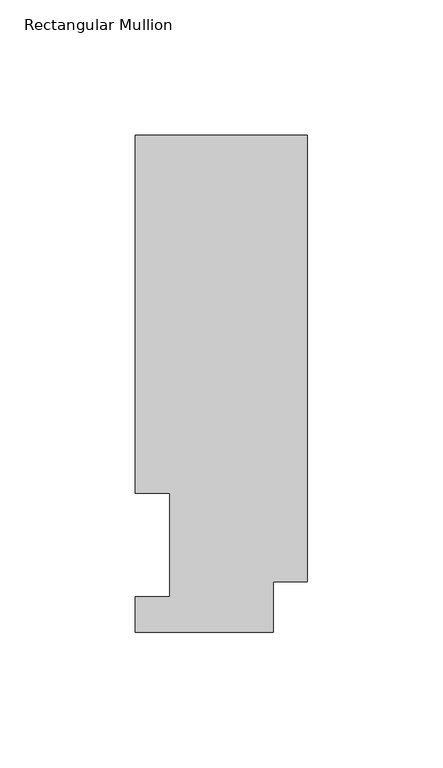
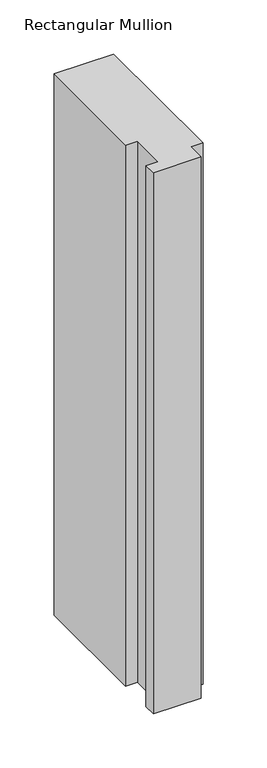
"""IFC4 building model written with IfcOpenShell, lengths in millimetres: member geometry, Rectangular Mullion."""

import ifcopenshell
import ifcopenshell.guid

model = None  # the IFC model being written
_history = None  # IfcOwnerHistory: only IFC2X3 demands one
_inside = {}  # id of a spatial element -> (the spatial element, [elements in it])
_under = {}  # id of a project, library or spatial element -> (it, [spatial elements below it])
_declared = {}  # id of a project -> (the project, [libraries it declares])
_typed = {}  # id of a type object -> (the type object, [elements of that type])
_made_of = {}  # id of a material, layer set ... -> (it, [elements and type objects made of it])


def new_model(schema):
    """Start an empty IFC model of exactly this schema.

    Asked for "IFC4X3", IfcOpenShell would pick the latest addendum, in which some entities
    have other attributes; the version numbers below select the first issue.
    IFC2X3 requires an IfcOwnerHistory on every rooted entity: one is made here for all.
    """
    global model, _history
    if schema == "IFC4X3":
        model = ifcopenshell.file(schema_version=(4, 3, 0, 0))
    else:
        model = ifcopenshell.file(schema=schema)
    _inside.clear()
    _under.clear()
    _declared.clear()
    _typed.clear()
    _made_of.clear()
    _history = None
    if model.schema == "IFC2X3":
        org = make("IfcOrganization", Name="unknown")
        user = make(
            "IfcPersonAndOrganization",
            ThePerson=make("IfcPerson", FamilyName="unknown"),
            TheOrganization=org,
        )
        app = make(
            "IfcApplication",
            ApplicationDeveloper=org,
            Version="unknown",
            ApplicationFullName="unknown",
            ApplicationIdentifier="unknown",
        )
        _history = make(
            "IfcOwnerHistory",
            OwningUser=user,
            OwningApplication=app,
            ChangeAction="ADDED",
            CreationDate=0,
        )
    return model


def make(cls, **values):
    """One entity of the class cls with the attributes given. An attribute that is None is left unset."""
    return model.create_entity(
        cls, **{name: value for name, value in values.items() if value is not None}
    )


def rooted(cls, **values):
    """An entity with a GlobalId (a new one), such as an element, a storey or a relation."""
    return make(cls, GlobalId=ifcopenshell.guid.new(), OwnerHistory=_history, **values)


def si_unit(unit_type, name, prefix=None):
    """IfcSIUnit, for example si_unit("LENGTHUNIT", "METRE", prefix="MILLI")."""
    return make("IfcSIUnit", UnitType=unit_type, Prefix=prefix, Name=name)


def assignment(units):
    """IfcUnitAssignment: the units of a project."""
    return None if units is None else make("IfcUnitAssignment", Units=units)


def point(xyz):
    """IfcCartesianPoint."""
    return None if xyz is None else make("IfcCartesianPoint", Coordinates=xyz)


def direction(xyz):
    """IfcDirection."""
    return None if xyz is None else make("IfcDirection", DirectionRatios=xyz)


def frame(location, z_axis=None, x_axis=None):
    """IfcAxis2Placement3D, a coordinate frame: its origin and axes. An axis left out is left unset."""
    return make(
        "IfcAxis2Placement3D",
        Location=point(location),
        Axis=direction(z_axis),
        RefDirection=direction(x_axis),
    )


def origin():
    """The frame at (0, 0, 0) with its axes left unset."""
    return frame((0.0, 0.0, 0.0))


def place(relative_to, where):
    """IfcLocalPlacement: puts the frame where relative to a parent placement (None: the world)."""
    return make(
        "IfcLocalPlacement", PlacementRelTo=relative_to, RelativePlacement=where
    )


def context(
    kind, dimensions, precision=None, world=None, true_north=None, identifier=None
):
    """IfcGeometricRepresentationContext, for example the 3D "Model" context."""
    return make(
        "IfcGeometricRepresentationContext",
        ContextIdentifier=identifier,
        ContextType=kind,
        CoordinateSpaceDimension=dimensions,
        Precision=precision,
        WorldCoordinateSystem=world,
        TrueNorth=true_north,
    )


def project(units=None, contexts=None):
    """IfcProject with its units and contexts."""
    return rooted(
        "IfcProject",
        Name="project",
        RepresentationContexts=contexts,
        UnitsInContext=assignment(units),
    )


def spatial(cls, under=None, at=None, **own):
    """A site, building, storey or space (cls), placed at a placement, below another one or the project."""
    s = rooted(cls, ObjectPlacement=at, **own)
    if under is not None:
        _under.setdefault(under.id(), (under, []))[1].append(s)
    return s


def polyline(points):
    """IfcPolyline through the points."""
    return make("IfcPolyline", Points=[point(p) for p in points])


def outline(outer, holes=None, kind="AREA"):
    """IfcArbitraryClosedProfileDef: a profile drawn as a closed curve; with holes, ...WithVoids."""
    if holes is None:
        return make("IfcArbitraryClosedProfileDef", ProfileType=kind, OuterCurve=outer)
    return make(
        "IfcArbitraryProfileDefWithVoids",
        ProfileType=kind,
        OuterCurve=outer,
        InnerCurves=holes,
    )


def extrude(swept, where, along, depth):
    """IfcExtrudedAreaSolid: the profile swept, set in the frame where, extruded along a direction by depth."""
    return make(
        "IfcExtrudedAreaSolid",
        SweptArea=swept,
        Position=where,
        ExtrudedDirection=direction(along),
        Depth=depth,
    )


def shape(context_of_items, identifier, shape_type, items):
    """IfcShapeRepresentation: the items that make up one representation, for example the "Body"."""
    return make(
        "IfcShapeRepresentation",
        ContextOfItems=context_of_items,
        RepresentationIdentifier=identifier,
        RepresentationType=shape_type,
        Items=items,
    )


def source(mapping_origin, context_of_items, identifier, shape_type, items):
    """IfcRepresentationMap: a shape defined once, which mapped items show again and again."""
    return make(
        "IfcRepresentationMap",
        MappingOrigin=mapping_origin,
        MappedRepresentation=shape(context_of_items, identifier, shape_type, items),
    )


def transform(
    local_origin,
    x_axis=None,
    y_axis=None,
    z_axis=None,
    scale=None,
    scale2=None,
    scale3=None,
    uniform=True,
):
    """IfcCartesianTransformationOperator3D, or its non-uniform kind. x_axis, y_axis, z_axis: its Axis1, 2, 3."""
    if uniform:
        return make(
            "IfcCartesianTransformationOperator3D",
            Axis1=direction(x_axis),
            Axis2=direction(y_axis),
            LocalOrigin=point(local_origin),
            Scale=scale,
            Axis3=direction(z_axis),
        )
    return make(
        "IfcCartesianTransformationOperator3DnonUniform",
        Axis1=direction(x_axis),
        Axis2=direction(y_axis),
        LocalOrigin=point(local_origin),
        Scale=scale,
        Axis3=direction(z_axis),
        Scale2=scale2,
        Scale3=scale3,
    )


def mapped(mapping_source, mapping_target):
    """IfcMappedItem: shows the shape of a source again, moved by a transform."""
    return make(
        "IfcMappedItem", MappingSource=mapping_source, MappingTarget=mapping_target
    )


def made_of(thing, what):
    """Note that an element or type object is made of a material, layer set ...; save() writes the relation."""
    if what is not None:
        _made_of.setdefault(what.id(), (what, []))[1].append(thing)
    return thing


def element(
    cls,
    number,
    at=None,
    inside=None,
    cuts=None,
    type_object=None,
    material=None,
    context=None,
    identifier="Body",
    shape_type=None,
    held_by="IfcProductDefinitionShape",
    body=None,
    shapes=None,
    **own,
):
    """One element of the class cls, such as IfcWall. Its Tag is "e" and its number.

    at: its placement. inside: the storey or other place that contains it. cuts: it is an
    opening in that element (IfcRelVoidsElement). A single representation is given by context,
    identifier, shape_type and body (its items); several are given by shapes. held_by: the class
    of the entity that holds the representations. save() writes the other relations.
    """
    e = rooted(cls, Tag="e%d" % number, ObjectPlacement=at, **own)
    if body is not None:
        shapes = [shape(context, identifier, shape_type, body)]
    if shapes is not None:
        e.Representation = make(held_by, Representations=shapes)
    if inside is not None:
        _inside.setdefault(inside.id(), (inside, []))[1].append(e)
    if cuts is not None:
        rooted(
            "IfcRelVoidsElement", RelatingBuildingElement=cuts, RelatedOpeningElement=e
        )
    if type_object is not None:
        _typed.setdefault(type_object.id(), (type_object, []))[1].append(e)
    return made_of(e, material)


def aggregate(whole, parts):
    """IfcRelAggregates: a whole, such as a stair, and the parts it consists of."""
    return rooted("IfcRelAggregates", RelatingObject=whole, RelatedObjects=parts)


def save(model, path):
    """Write the relations noted so far, then the file.

    IfcRelAggregates (storeys below a building ...), IfcRelContainedInSpatialStructure (elements
    in a storey), IfcRelDefinesByType, IfcRelAssociatesMaterial and IfcRelDeclares: one each for
    every whole, place, type object, material and project.
    """
    for whole, parts in _under.values():
        aggregate(whole, parts)
    for where, things in _inside.values():
        rooted(
            "IfcRelContainedInSpatialStructure",
            RelatedElements=things,
            RelatingStructure=where,
        )
    for kind, things in _typed.values():
        rooted("IfcRelDefinesByType", RelatedObjects=things, RelatingType=kind)
    for what, things in _made_of.values():
        rooted("IfcRelAssociatesMaterial", RelatedObjects=things, RelatingMaterial=what)
    for by, libraries in _declared.values():
        rooted("IfcRelDeclares", RelatingContext=by, RelatedDefinitions=libraries)
    model.write(path)


def rectangular_mullion_d053036c(model_context):
    return source(origin(), model_context, "Body", "SweptSolid", [
        extrude(outline(polyline([(0.0, 183.4446737), (0.0, 18.7332937), (-12.7, 18.7332937), (-12.7, 0.0134937), (-63.5, 0.0134937), (-63.5, 13.1960937), (-50.8, 13.1960937), (-50.8, 51.2960937), (-63.5, 51.2960938), (-63.5, 183.4446737), (0.0, 183.4446737)])), frame((0.0, 0.0, -609.587333), z_axis=(0.0, 0.0, 1.0), x_axis=(1.0, 0.0, 0.0)), (0.0, 0.0, 1.0), 609.587333),
    ])


if __name__ == "__main__":
    model = new_model("IFC4")
    model_context = context("Model", 3, world=origin())
    ifc_project = project(units=[si_unit("LENGTHUNIT", "METRE", prefix="MILLI")], contexts=[model_context])
    site = spatial("IfcSite", under=ifc_project)
    building = spatial("IfcBuilding", under=site)
    placement = place(None, origin())
    rectangular_mullion_shape = rectangular_mullion_d053036c(model_context)
    element("IfcMember", 1, ObjectType="Rectangular Mullion", at=placement, inside=building, context=model_context, shape_type="MappedRepresentation", body=[
        mapped(rectangular_mullion_shape, transform((0.0, 0.0, 0.0), x_axis=(1.0, 0.0, 0.0), y_axis=(0.0, 1.0, 0.0), z_axis=(0.0, 0.0, 1.0))),
    ])
    save(model, "model.ifc")
